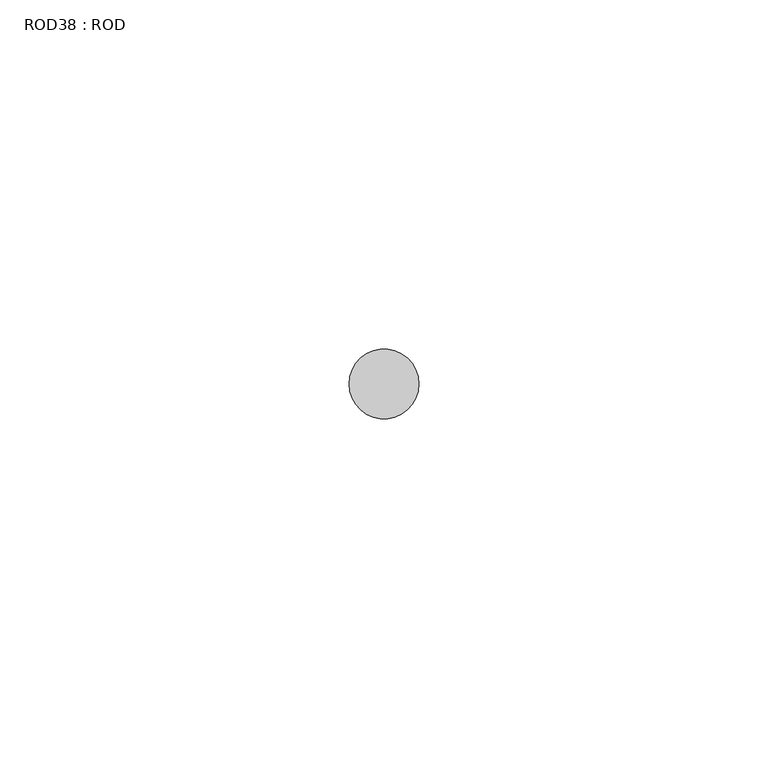
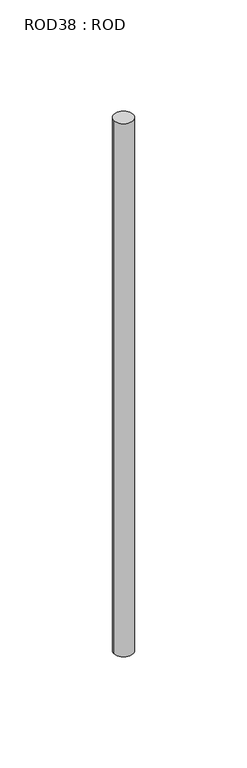
"""IFC4 building model written with IfcOpenShell, lengths in millimetres: proxy geometry, ROD38 : ROD."""

from ifc_helpers import new_model, si_unit, point, frame, frame_2d, origin, place, context, project, spatial, circle_curve, trimmed, segment, composite_curve, outline, extrude, source, transform, mapped, element, save


def rod38_rod_0d2967ed(model_context):
    return source(origin(), model_context, "Body", "SweptSolid", [
        extrude(outline(composite_curve([segment(trimmed(circle_curve(frame_2d((8099.7673324, 833.3971576)), 5.0), [point((8094.7673324, 833.3971576))], [point((8104.7673324, 833.3971576))], False, "CARTESIAN"), True, "CONTINUOUS"), segment(trimmed(circle_curve(frame_2d((8099.7673324, 833.3971576)), 5.0), [point((8104.7673324, 833.3971576))], [point((8094.7673324, 833.3971576))], False, "CARTESIAN"), True, "CONTINUOUS")], self_intersect=False)), frame((0.0, 0.0, -108.6608845), z_axis=(0.0, 0.0, 1.0), x_axis=(1.0, 0.0, 0.0)), (0.0, 0.0, 1.0), 298.9028972),
    ])


if __name__ == "__main__":
    model = new_model("IFC4")
    model_context = context("Model", 3, world=origin())
    ifc_project = project(units=[si_unit("LENGTHUNIT", "METRE", prefix="MILLI")], contexts=[model_context])
    site = spatial("IfcSite", under=ifc_project)
    building = spatial("IfcBuilding", under=site)
    placement = place(None, origin())
    rod38_rod_shape = rod38_rod_0d2967ed(model_context)
    element("IfcBuildingElementProxy", 1, Name="ROD38 : ROD", ObjectType="ROD38 : ROD", at=placement, inside=building, context=model_context, shape_type="MappedRepresentation", body=[
        mapped(rod38_rod_shape, transform((0.0, 0.0, 0.0), x_axis=(1.0, 0.0, 0.0), y_axis=(0.0, 1.0, 0.0), z_axis=(0.0, 0.0, 1.0))),
    ])
    save(model, "model.ifc")
